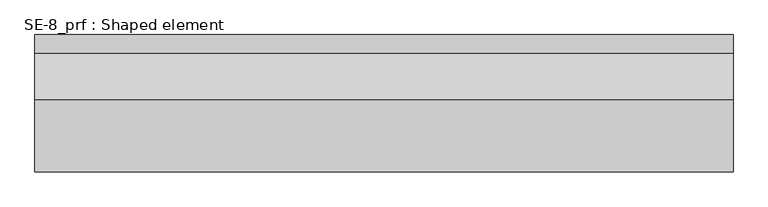
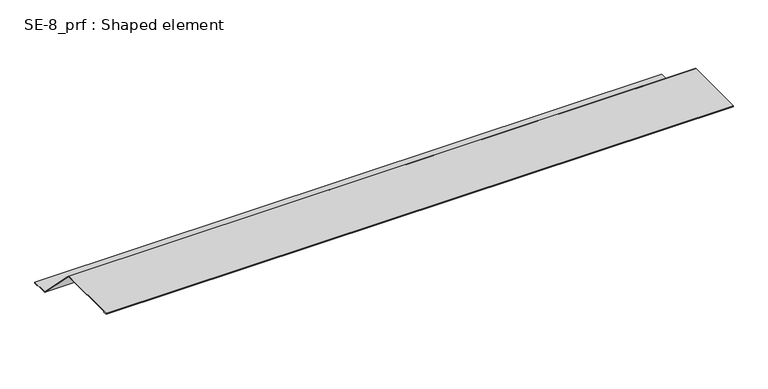
"""IFC4 building model written with IfcOpenShell, lengths in millimetres: proxy geometry, SE-8_prf : Shaped element."""

from ifc_helpers import new_model, si_unit, origin, place, context, project, spatial, faceted_brep, source, transform, mapped, element, save


def se_8_prf_shaped_element_e7852b16(model_context):
    return source(origin(), model_context, "Body", "Brep", [
        faceted_brep([(0.0, 80.0, 0.0), (0.0, 78.5857864, 0.0), (0.0, 74.5857864, 4.0), (0.0, -79.0, 4.0), (0.0, -79.0, 3.0), (0.0, -70.0, 3.0), (0.0, -70.0, 2.0), (0.0, -80.0, 2.0), (0.0, -80.0, 5.0), (0.0, 75.0, 5.0), (0.0, 175.0, -95.0), (0.0, 215.0, -95.0), (0.0, 215.0, -98.0), (0.0, 205.0, -98.0), (0.0, 205.0, -97.0), (0.0, 214.0, -97.0), (0.0, 214.0, -96.0), (0.0, 174.5857864, -96.0), (1500.0, 78.5857864, 0.0), (1500.0, 80.0, 0.0), (1500.0, 75.0, 5.0), (1500.0, -80.0, 5.0), (1500.0, -80.0, 2.0), (1500.0, -70.0, 2.0), (1500.0, -70.0, 3.0), (1500.0, -79.0, 3.0), (1500.0, -79.0, 4.0), (1500.0, 74.5857864, 4.0), (1500.0, 174.5857864, -96.0), (1500.0, 214.0, -96.0), (1500.0, 214.0, -97.0), (1500.0, 205.0, -97.0), (1500.0, 205.0, -98.0), (1500.0, 215.0, -98.0), (1500.0, 215.0, -95.0), (1500.0, 175.0, -95.0)], [[[0, 1, 2, 3, 4, 5, 6, 7, 8, 9]], [[1, 0, 10, 11, 12, 13, 14, 15, 16, 17]], [[18, 19, 20, 21, 22, 23, 24, 25, 26, 27]], [[19, 18, 28, 29, 30, 31, 32, 33, 34, 35]], [[9, 8, 21, 20]], [[0, 9, 20, 19, 35, 10]], [[11, 10, 35, 34]], [[12, 11, 34, 33]], [[13, 12, 33, 32]], [[14, 13, 32, 31]], [[15, 14, 31, 30]], [[16, 15, 30, 29]], [[17, 16, 29, 28]], [[2, 1, 17, 28, 18, 27]], [[3, 2, 27, 26]], [[4, 3, 26, 25]], [[5, 4, 25, 24]], [[6, 5, 24, 23]], [[7, 6, 23, 22]], [[8, 7, 22, 21]]]),
    ])


if __name__ == "__main__":
    model = new_model("IFC4")
    model_context = context("Model", 3, world=origin())
    ifc_project = project(units=[si_unit("LENGTHUNIT", "METRE", prefix="MILLI")], contexts=[model_context])
    site = spatial("IfcSite", under=ifc_project)
    building = spatial("IfcBuilding", under=site)
    placement = place(None, origin())
    se_8_prf_shaped_element_shape = se_8_prf_shaped_element_e7852b16(model_context)
    element("IfcBuildingElementProxy", 1, Name="SE-8_prf : Shaped element", ObjectType="SE-8_prf : Shaped element", at=placement, inside=building, context=model_context, shape_type="MappedRepresentation", body=[
        mapped(se_8_prf_shaped_element_shape, transform((0.0, 0.0, 0.0), x_axis=(1.0, 0.0, 0.0), y_axis=(0.0, 1.0, 0.0), z_axis=(0.0, 0.0, 1.0))),
    ])
    save(model, "model.ifc")
